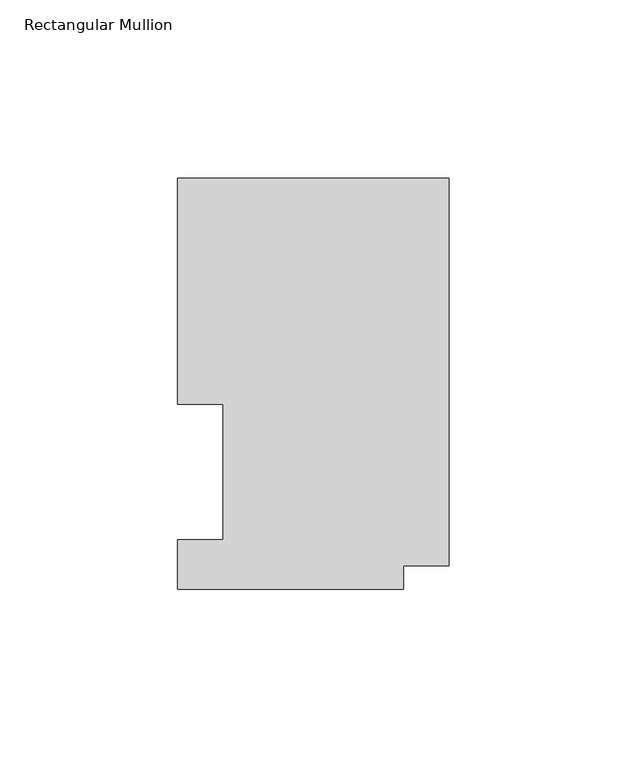
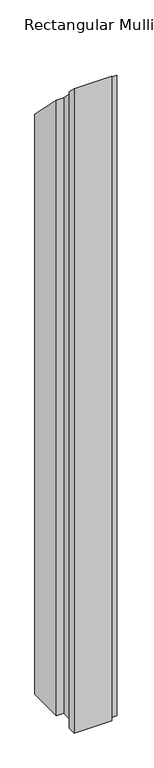
"""IFC4 building model written with IfcOpenShell, lengths in millimetres: member geometry, Rectangular Mullion."""

from ifc_helpers import new_model, si_unit, origin, place, context, project, spatial, faceted_brep, source, transform, mapped, element, save


def rectangular_mullion_d62afbbd(model_context):
    return source(origin(), model_context, "Body", "Brep", [
        faceted_brep([(0.0, 116.0859375, -1157.1557071), (0.0, 7.1611307, -1157.1557071), (-12.7, 7.1611307, -1157.1557071), (-12.7, 0.5159205, -1157.1557071), (-76.2, 0.5159205, -1157.1557071), (-76.2, 14.4859375, -1157.1557071), (-63.5, 14.4859375, -1157.1557071), (-63.5, 52.5859375, -1157.1557071), (-76.2, 52.5859375, -1157.1557071), (-76.2, 116.0859375, -1157.1557071), (-76.2, 116.0859375, -116.0859375), (0.0, 116.0859375, -116.0859375), (-76.2, 52.5859375, -52.5859375), (-63.5, 52.5859375, -52.5859375), (-63.5, 14.4859375, -14.4859375), (-76.2, 14.4859375, -14.4859375), (-76.2, 0.5159205, -0.5159205), (-12.7, 0.5159205, -0.5159205), (-12.7, 7.1611307, -7.1611307), (0.0, 7.1611307, -7.1611307)], [[[0, 1, 2, 3, 4, 5, 6, 7, 8, 9]], [[10, 11, 0, 9]], [[12, 10, 9, 8]], [[13, 12, 8, 7]], [[14, 13, 7, 6]], [[15, 14, 6, 5]], [[16, 15, 5, 4]], [[17, 16, 4, 3]], [[18, 17, 3, 2]], [[19, 18, 2, 1]], [[11, 19, 1, 0]], [[11, 10, 12, 13, 14, 15, 16, 17, 18, 19]]]),
    ])


if __name__ == "__main__":
    model = new_model("IFC4")
    model_context = context("Model", 3, world=origin())
    ifc_project = project(units=[si_unit("LENGTHUNIT", "METRE", prefix="MILLI")], contexts=[model_context])
    site = spatial("IfcSite", under=ifc_project)
    building = spatial("IfcBuilding", under=site)
    placement = place(None, origin())
    rectangular_mullion_shape = rectangular_mullion_d62afbbd(model_context)
    element("IfcMember", 1, ObjectType="Rectangular Mullion", at=placement, inside=building, context=model_context, shape_type="MappedRepresentation", body=[
        mapped(rectangular_mullion_shape, transform((0.0, 0.0, 0.0), x_axis=(1.0, 0.0, 0.0), y_axis=(0.0, 1.0, 0.0), z_axis=(0.0, 0.0, 1.0))),
    ])
    save(model, "model.ifc")
